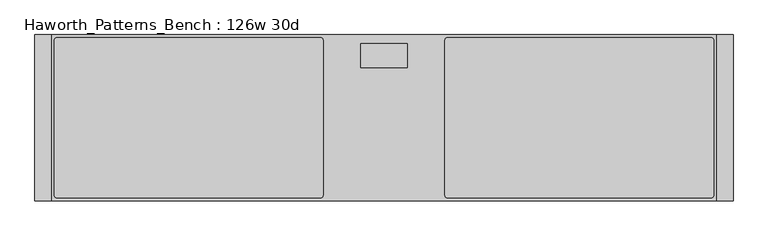
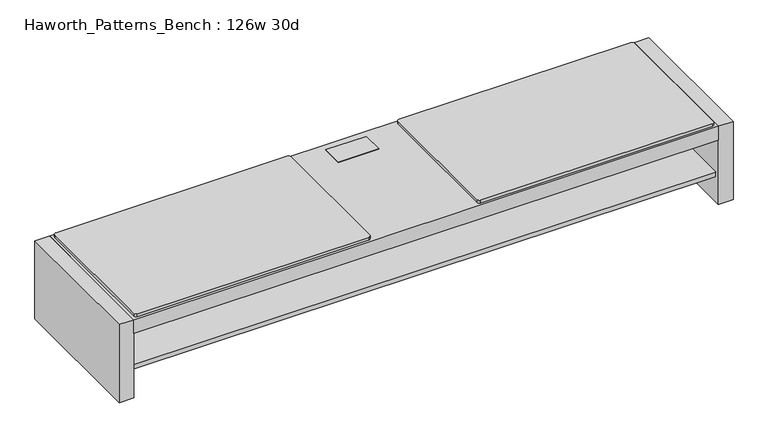
"""IFC4 building model written with IfcOpenShell, lengths in millimetres: furniture geometry, Haworth_Patterns_Bench : 126w 30d."""

from ifc_helpers import new_model, si_unit, point, frame, frame_2d, origin, origin_with_axes, place, context, project, spatial, polyline, circle_curve, trimmed, segment, composite_curve, outline, extrude, faceted_brep, source, transform, mapped, element, save


def haworth_patterns_bench_126w_30d_5387cdca(model_context):
    return source(origin(), model_context, "Body", "SolidModel", [
        extrude(outline(composite_curve([segment(trimmed(circle_curve(frame_2d((-292.1, -25.4)), 12.7), [point((-292.1, -12.7))], [point((-279.4, -25.4))], False, "CARTESIAN"), True, "CONTINUOUS"), segment(polyline([(-279.4, -25.4), (-279.4, -736.6)]), True, "CONTINUOUS"), segment(trimmed(circle_curve(frame_2d((-292.1, -736.6)), 12.7), [point((-279.4, -736.6))], [point((-292.1, -749.3))], False, "CARTESIAN"), True, "CONTINUOUS"), segment(polyline([(-292.1, -749.3), (-1498.6, -749.3)]), True, "CONTINUOUS"), segment(trimmed(circle_curve(frame_2d((-1498.6, -736.6)), 12.7), [point((-1498.6, -749.3))], [point((-1511.3, -736.6))], False, "CARTESIAN"), True, "CONTINUOUS"), segment(polyline([(-1511.3, -736.6), (-1511.3, -25.4)]), True, "CONTINUOUS"), segment(trimmed(circle_curve(frame_2d((-1498.6, -25.4)), 12.7), [point((-1511.3, -25.4))], [point((-1498.6, -12.7))], False, "CARTESIAN"), True, "CONTINUOUS"), segment(polyline([(-1498.6, -12.7), (-292.1, -12.7)]), True, "CONTINUOUS")], self_intersect=False)), frame((0.0, 0.0, 431.8), z_axis=(0.0, 0.0, 1.0), x_axis=(1.0, 0.0, 0.0)), (0.0, 0.0, 1.0), 15.875),
        extrude(outline(composite_curve([segment(trimmed(circle_curve(frame_2d((1498.6, -25.4)), 12.7), [point((1498.6, -12.7))], [point((1511.3, -25.4))], False, "CARTESIAN"), True, "CONTINUOUS"), segment(polyline([(1511.3, -25.4), (1511.3, -736.6)]), True, "CONTINUOUS"), segment(trimmed(circle_curve(frame_2d((1498.6, -736.6)), 12.7), [point((1511.3, -736.6))], [point((1498.6, -749.3))], False, "CARTESIAN"), True, "CONTINUOUS"), segment(polyline([(1498.6, -749.3), (292.1, -749.3)]), True, "CONTINUOUS"), segment(trimmed(circle_curve(frame_2d((292.1, -736.6)), 12.7), [point((292.1, -749.3))], [point((279.4, -736.6))], False, "CARTESIAN"), True, "CONTINUOUS"), segment(polyline([(279.4, -736.6), (279.4, -25.4)]), True, "CONTINUOUS"), segment(trimmed(circle_curve(frame_2d((292.1, -25.4)), 12.7), [point((279.4, -25.4))], [point((292.1, -12.7))], False, "CARTESIAN"), True, "CONTINUOUS"), segment(polyline([(292.1, -12.7), (1498.6, -12.7)]), True, "CONTINUOUS")], self_intersect=False)), frame((0.0, 0.0, 431.8), z_axis=(0.0, 0.0, 1.0), x_axis=(1.0, 0.0, 0.0)), (0.0, 0.0, 1.0), 15.875),
        faceted_brep([(105.56875, -39.6875, 434.975), (-105.56875, -39.6875, 434.975), (-105.56875, -150.8125, 434.975), (105.56875, -150.8125, 434.975), (105.56875, -39.6875, 431.8), (105.56875, -150.8125, 431.8), (-105.56875, -150.8125, 431.8), (-105.56875, -39.6875, 431.8), (102.39375, -44.45, 431.8), (-102.39375, -44.45, 431.8), (-102.39375, -146.05, 431.8), (102.39375, -146.05, 431.8), (102.39375, -44.45, 361.95), (102.39375, -146.05, 361.95), (-102.39375, -146.05, 361.95), (-102.39375, -44.45, 361.95)], [[[0, 1, 2, 3]], [[4, 5, 6, 7], [8, 9, 10, 11]], [[1, 0, 4, 7]], [[2, 1, 7, 6]], [[3, 2, 6, 5]], [[0, 3, 5, 4]], [[12, 13, 14, 15]], [[12, 15, 9, 8]], [[15, 14, 10, 9]], [[14, 13, 11, 10]], [[13, 12, 8, 11]]]),
        extrude(outline(polyline([(1524.0, 0.0), (1524.0, -762.0), (-1524.0, -762.0), (-1524.0, 0.0), (1524.0, 0.0)])), frame((0.0, 0.0, 355.6), z_axis=(0.0, 0.0, 1.0), x_axis=(1.0, 0.0, 0.0)), (0.0, 0.0, 1.0), 76.2),
        extrude(outline(polyline([(1524.0, -25.4), (1524.0, -736.6), (-1524.0, -736.6), (-1524.0, -25.4), (1524.0, -25.4)])), frame((0.0, 0.0, 139.7), z_axis=(0.0, 0.0, 1.0), x_axis=(1.0, 0.0, 0.0)), (0.0, 0.0, 1.0), 25.4),
        extrude(outline(polyline([(1524.0, -355.6), (1524.0, -406.4), (-1524.0, -406.4), (-1524.0, -355.6), (1524.0, -355.6)])), frame((0.0, 0.0, 165.1), z_axis=(0.0, 0.0, 1.0), x_axis=(1.0, 0.0, 0.0)), (0.0, 0.0, 1.0), 190.5),
        extrude(outline(polyline([(1524.0, 0.0), (1600.2, 0.0), (1600.2, -762.0), (1524.0, -762.0), (1524.0, 0.0)])), origin_with_axes(), (0.0, 0.0, 1.0), 431.8),
        extrude(outline(polyline([(-1524.0, 0.0), (-1524.0, -762.0), (-1600.2, -762.0), (-1600.2, 0.0), (-1524.0, 0.0)])), origin_with_axes(), (0.0, 0.0, 1.0), 431.8),
    ])


if __name__ == "__main__":
    model = new_model("IFC4")
    model_context = context("Model", 3, world=origin())
    ifc_project = project(units=[si_unit("LENGTHUNIT", "METRE", prefix="MILLI")], contexts=[model_context])
    site = spatial("IfcSite", under=ifc_project)
    building = spatial("IfcBuilding", under=site)
    placement = place(None, origin())
    haworth_patterns_bench_126w_30d_shape = haworth_patterns_bench_126w_30d_5387cdca(model_context)
    element("IfcFurniture", 1, ObjectType="Haworth_Patterns_Bench : 126w 30d", at=placement, inside=building, context=model_context, shape_type="MappedRepresentation", body=[
        mapped(haworth_patterns_bench_126w_30d_shape, transform((0.0, 0.0, 0.0), x_axis=(1.0, 0.0, 0.0), y_axis=(0.0, 1.0, 0.0), z_axis=(0.0, 0.0, 1.0))),
    ])
    save(model, "model.ifc")
